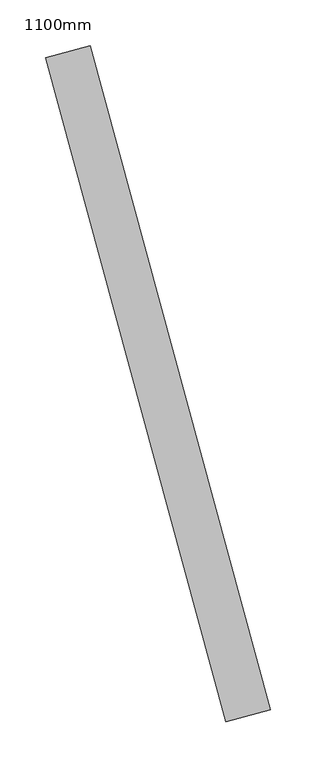
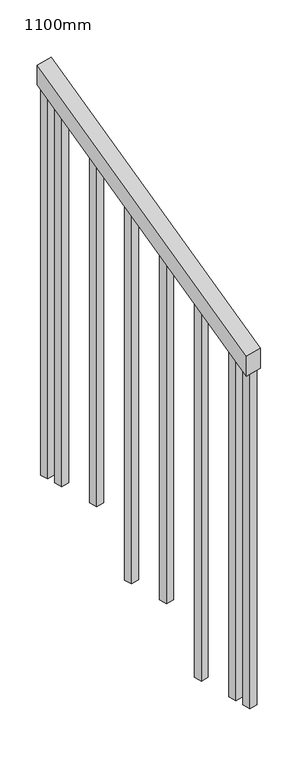
"""IFC4 building model written with IfcOpenShell, lengths in millimetres: railing geometry, 1100mm."""

from ifc_helpers import new_model, si_unit, frame, origin, place, context, project, spatial, polyline, outline, extrude, source, transform, mapped, element, save


def railing_1100mm_38c595a1(model_context):
    return source(origin(), model_context, "Body", "SweptSolid", [
        extrude(outline(polyline([(-35.5555555, -50.0), (0.0, 0.0), (920.2958461, 0.0), (884.7402906, -50.0), (-35.5555555, -50.0)])), frame((73329.6745377, 48702.7088996, 1277.7777778), z_axis=(0.9649894123601837, 0.26228883703418915, 0.0), x_axis=(-0.2137536843159581, 0.7864232597554026, 0.5795237863600082)), (0.0, 0.0, 1.0), 50.0),
        extrude(outline(polyline([(1271.980277, -25.0), (108.8888889, -25.0), (91.1111112, 0.0), (1271.980277, 0.0), (1271.980277, -25.0)])), frame((73158.1347195, 49381.4800987, 1805.3136103), z_axis=(0.9649894123601837, 0.26228883703418915, 0.0), x_axis=(0.0, 0.0, -1.0)), (0.0, 0.0, 1.0), 25.0),
        extrude(outline(polyline([(1183.0913881, -25.0), (108.8888889, -25.0), (91.1111111, 0.0), (1183.0913881, 0.0), (1183.0913881, -25.0)])), frame((73190.9208241, 49260.8564222, 1716.4247214), z_axis=(0.9649894123601837, 0.26228883703418915, 0.0), x_axis=(0.0, 0.0, -1.0)), (0.0, 0.0, 1.0), 25.0),
        extrude(outline(polyline([(1271.9802769, -25.0000001), (108.8888889, -25.0000001), (91.1111111, 0.0), (1271.9802769, 0.0), (1271.9802769, -25.0000001)])), frame((73223.7069287, 49140.2327457, 1627.5358325), z_axis=(0.9649894123601837, 0.26228883703418915, 0.0), x_axis=(0.0, 0.0, -1.0)), (0.0, 0.0, 1.0), 25.0),
        extrude(outline(polyline([(1183.091388, -25.0), (108.8888889, -25.0), (91.1111111, 0.0), (1183.091388, 0.0), (1183.091388, -25.0)])), frame((73256.4930334, 49019.6090691, 1538.6469436), z_axis=(0.9649894123601837, 0.26228883703418915, 0.0), x_axis=(0.0, 0.0, -1.0)), (0.0, 0.0, 1.0), 25.0),
        extrude(outline(polyline([(1271.9802769, -25.0), (108.8888889, -25.0), (91.1111111, 0.0), (1271.9802769, 0.0), (1271.9802769, -25.0)])), frame((73289.279138, 48898.9853926, 1449.7580547), z_axis=(0.9649894123601837, 0.26228883703418915, 0.0), x_axis=(0.0, 0.0, -1.0)), (0.0, 0.0, 1.0), 25.0),
        extrude(outline(polyline([(1183.091388, -25.0), (108.8888889, -25.0), (91.1111111, 0.0), (1183.091388, 0.0), (1183.091388, -25.0)])), frame((73322.0652426, 48778.361716, 1360.8691658), z_axis=(0.9649894123601837, 0.26228883703418915, 0.0), x_axis=(0.0, 0.0, -1.0)), (0.0, 0.0, 1.0), 25.0),
        extrude(outline(polyline([(1307.5358325, -25.0), (108.8888889, -25.0), (91.1111111, 0.0), (1307.5358325, 0.0), (1307.5358325, -25.0)])), frame((73145.0202776, 49429.7295694, 1840.8691658), z_axis=(0.9649894123601837, 0.26228883703418915, 0.0), x_axis=(0.0, 0.0, -1.0)), (0.0, 0.0, 1.0), 25.0),
        extrude(outline(polyline([(1147.5358325, -25.0), (108.8888889, -25.0), (91.1111112, 0.0), (1147.5358325, 0.0), (1147.5358325, -25.0)])), frame((73335.1796845, 48730.1122454, 1325.3136103), z_axis=(0.9649894123601837, 0.26228883703418915, 0.0), x_axis=(0.0, 0.0, -1.0)), (0.0, 0.0, 1.0), 25.0),
    ])


if __name__ == "__main__":
    model = new_model("IFC4")
    model_context = context("Model", 3, world=origin())
    ifc_project = project(units=[si_unit("LENGTHUNIT", "METRE", prefix="MILLI")], contexts=[model_context])
    site = spatial("IfcSite", under=ifc_project)
    building = spatial("IfcBuilding", under=site)
    placement = place(None, origin())
    railing_1100mm_shape = railing_1100mm_38c595a1(model_context)
    element("IfcRailing", 1, ObjectType="1100mm", at=placement, inside=building, context=model_context, shape_type="MappedRepresentation", body=[
        mapped(railing_1100mm_shape, transform((0.0, 0.0, 0.0), x_axis=(1.0, 0.0, 0.0), y_axis=(0.0, 1.0, 0.0), z_axis=(0.0, 0.0, 1.0))),
    ])
    save(model, "model.ifc")
